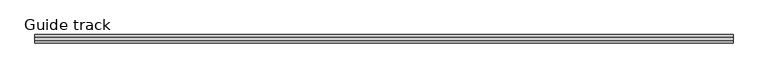
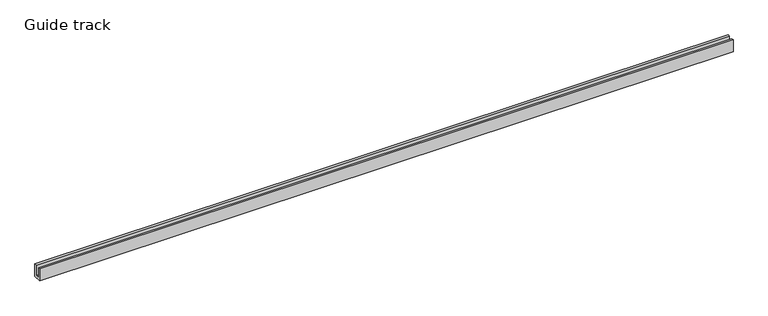
"""IFC4 building model written with IfcOpenShell, lengths in millimetres: proxy geometry, Guide track."""

from ifc_helpers import new_model, si_unit, frame, origin, place, context, project, spatial, polyline, outline, extrude, source, transform, mapped, element, save


def guide_track_29509fa8(model_context):
    return source(origin(), model_context, "Body", "SweptSolid", [
        extrude(outline(polyline([(-20.0, 30.0), (-15.0, 30.0), (-15.0, 5.0), (-5.0, 5.0), (-5.0, 30.0), (0.0, 30.0), (0.0, 0.0), (-20.0, 0.0), (-20.0, 30.0)])), frame((0.0, 0.0, 0.0), z_axis=(1.0, 0.0, 0.0), x_axis=(0.0, 1.0, 0.0)), (0.0, 0.0, 1.0), 1637.0),
    ])


if __name__ == "__main__":
    model = new_model("IFC4")
    model_context = context("Model", 3, world=origin())
    ifc_project = project(units=[si_unit("LENGTHUNIT", "METRE", prefix="MILLI")], contexts=[model_context])
    site = spatial("IfcSite", under=ifc_project)
    building = spatial("IfcBuilding", under=site)
    placement = place(None, origin())
    guide_track_shape = guide_track_29509fa8(model_context)
    element("IfcBuildingElementProxy", 1, Name="Guide track", ObjectType="Guide track", at=placement, inside=building, context=model_context, shape_type="MappedRepresentation", body=[
        mapped(guide_track_shape, transform((0.0, 0.0, 0.0), x_axis=(1.0, 0.0, 0.0), y_axis=(0.0, 1.0, 0.0), z_axis=(0.0, 0.0, 1.0))),
    ])
    save(model, "model.ifc")
